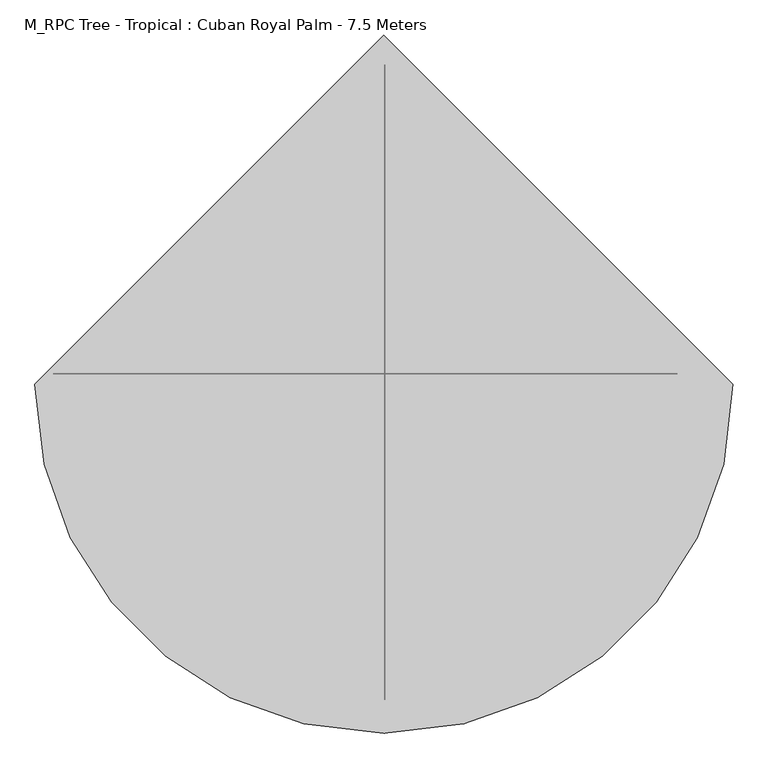
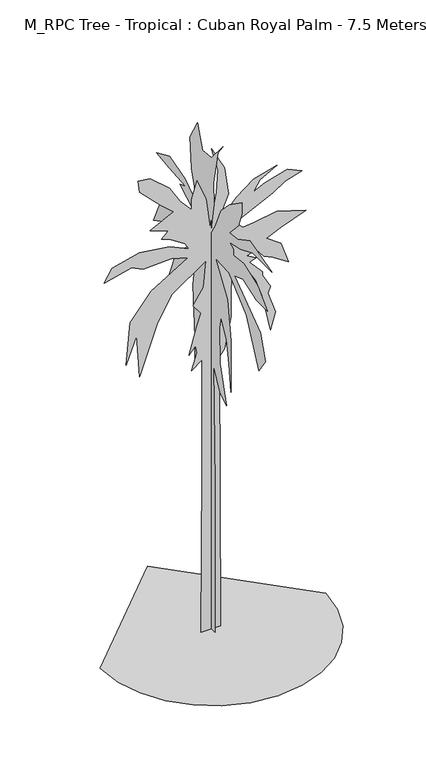
"""IFC4 building model written with IfcOpenShell, lengths in millimetres: geographic element geometry, M_RPC Tree - Tropical : Cuban Royal Palm - 7.5 Meters."""

from ifc_helpers import new_model, si_unit, origin, place, context, project, spatial, triangles, source, transform, mapped, element, save


def m_rpc_tree_tropical_cuban_royal_palm_7_5_meters_25244156(model_context):
    return source(origin(), model_context, "Body", "Tessellation", [
        triangles([(-53.329521, -0.0172155, 0.0009289), (-147.4824223, -0.0172239, 0.000933), (-128.6516948, -0.0176557, 2455.3623367), (-128.6514405, -0.0179554, 4131.270797), (-279.295543, -0.0179286, 4018.2957161), (-203.9743774, -0.0179756, 4263.0955994), (-222.8043509, -0.017995, 4376.0703896), (-316.9579788, -0.0179707, 4263.0955994), (-203.974123, -0.0180497, 4677.3703125), (-147.482177, -0.0180825, 4846.8451424), (-260.4655695, -0.0181045, 4997.4949585), (-109.8212127, -0.0181515, 5223.4445389), (-72.1600031, -0.0182238, 5618.8942383), (-561.755246, -0.0181418, 5279.9445786), (-768.8900591, -0.0180688, 4922.1699051), (-1032.519825, -0.017926, 4187.770546), (-1070.1797356, -0.0180388, 4828.0201286), (-1220.8246101, -0.0179615, 4432.5704292), (-1164.3346716, -0.0180751, 5053.9699997), (-863.0449951, -0.0181556, 5430.5946854), (-335.7879704, -0.0182359, 5750.7193314), (-580.5852376, -0.0182387, 5826.0438034), (-976.027343, -0.018218, 5807.1937912), (-1145.5021729, -0.0182241, 5882.5188446), (-1540.9443146, -0.0181899, 5788.3687775), (-1427.9618214, -0.0182286, 5976.6689117), (-1032.519825, -0.0182627, 6070.8439774), (-599.4151929, -0.0182715, 6014.3439377), (-316.9579788, -0.0182603, 5882.5188446), (-373.4504245, -0.0182746, 5976.6689117), (-599.4151929, -0.0182917, 6127.3184372), (-712.4001205, -0.0182935, 6164.9934631), (-618.247728, -0.0183145, 6259.1435303), (-881.8749504, -0.0183198, 6353.2935974), (-542.9252543, -0.0183649, 6522.7681366), (-731.2300758, -0.018387, 6692.2432571), (-1032.519825, -0.0184277, 6993.5428894), (-1051.3497803, -0.0184571, 7163.0174286), (-881.8749504, -0.0184612, 7144.1674164), (-599.4151929, -0.0184298, 6899.3678238), (-448.7703547, -0.0183926, 6654.5682312), (-279.295543, -0.0183663, 6466.2680969), (-279.295543, -0.0183932, 6616.9182037), (-203.974123, -0.0184437, 6880.5428101), (-72.1600031, -0.0183922, 6560.4181641), (-15.6683375, -0.0183139, 6108.4934235), (78.4845898, -0.0184055, 6598.09319), (97.3153263, -0.018467, 6937.0428497), (3.162393, -0.0185268, 7294.8175232), (191.4682185, -0.0184711, 6937.0428497), (247.9601555, -0.0183995, 6522.7681366), (78.4845898, -0.018318, 6108.4934235), (360.9438114, -0.0183876, 6428.6186508), (605.7410422, -0.0184319, 6616.9182037), (944.6906656, -0.0184636, 6711.0682709), (699.8933985, -0.0184293, 6579.2681763), (605.7410422, -0.0183983, 6428.6186508), (775.2158358, -0.0184191, 6503.9431229), (1095.3355402, -0.01845, 6598.09319), (1302.4728241, -0.0184422, 6503.9431229), (1057.6755569, -0.018418, 6428.6186508), (888.2007271, -0.0183904, 6315.6185715), (342.1138198, -0.0183194, 6051.9939651), (455.096204, -0.0183041, 5939.0188843), (605.7410422, -0.0183141, 5957.843898), (944.6906656, -0.018339, 6014.3439377), (1358.9653061, -0.0183335, 5882.5188446), (1001.1831476, -0.0182943, 5750.7193314), (794.0457911, -0.0182684, 5656.5692642), (1001.1831476, -0.0182506, 5505.9191574), (1114.1654955, -0.0181983, 5185.7945114), (888.2007271, -0.0182153, 5336.4446182), (756.3858805, -0.0182197, 5392.9196594), (605.7410422, -0.0182467, 5581.2442108), (605.7410422, -0.0182366, 5524.7441711), (511.5886497, -0.0182258, 5487.0941437), (643.4009892, -0.0182181, 5411.7696716), (549.2486329, -0.0182072, 5374.0946457), (737.5558525, -0.0181784, 5166.9694977), (737.5558525, -0.0181683, 5110.469458), (850.538273, -0.0181362, 4903.3448914), (812.8782898, -0.0181177, 4809.1951149), (925.8607103, -0.0180654, 4489.0704689), (850.538273, -0.0180184, 4244.2705856), (737.5558525, -0.0181111, 4790.3451027), (643.4009892, -0.0181575, 5072.8200119), (473.9261956, -0.0182006, 5355.269632), (304.4513476, -0.0182066, 5430.5946854), (285.6213741, -0.0181385, 5053.9699997), (285.6213741, -0.0180644, 4639.720285), (191.4682185, -0.0179795, 4187.770546), (116.1457994, -0.0179593, 4093.6207695), (134.9762815, -0.0172295, 0.0009206), (0.1930215, 88.1876585, 0.0004872), (0.1930211, 161.0565755, 0.0005002), (0.1930215, 161.0565755, 1798.0106003), (0.1930235, 142.8396006, 4220.8955589), (0.1930219, 215.7080362, 4111.5958351), (0.1930238, 397.879602, 3729.0212219), (0.1930224, 397.879602, 4184.4707474), (0.1930226, 452.5320436, 4949.5949753), (0.1930212, 379.6621093, 5477.8941238), (0.1930204, 525.3994709, 5313.919249), (0.1930227, 780.4416796, 4785.6201004), (0.1930231, 1071.9164028, 4421.295536), (0.193021, 1290.521228, 4075.1707329), (0.1930224, 1035.4814175, 4767.4200485), (0.193022, 871.5265995, 5168.1944229), (0.193022, 507.1819782, 5532.5442764), (0.1930205, 671.1367962, 5496.0941757), (0.1930222, 889.7440922, 5477.8941238), (0.1930219, 1090.1338955, 5514.3192261), (0.1930219, 1436.2610241, 5332.1442993), (0.1930208, 1254.0887135, 5732.9192551), (0.1930227, 1053.6989101, 5732.9192551), (0.1930224, 980.8290121, 6042.618956), (0.1930219, 634.7043543, 5969.7437531), (0.1930206, 416.0970583, 6079.0434769), (0.1930204, 780.4416796, 6279.443454), (0.1930236, 634.7043543, 6334.0936066), (0.1930213, 1035.4814175, 6370.5187088), (0.193023, 1363.3910534, 6406.9682281), (0.1930222, 1035.4814175, 6552.6930542), (0.193022, 652.921847, 6443.3933304), (0.1930203, 343.2271603, 6224.7933014), (0.1930224, 488.9669927, 6698.4428787), (0.1930226, 525.3994709, 7153.8674057), (0.1930219, 343.2271603, 7481.7671585), (0.1930226, 306.794682, 7372.4674347), (0.1930225, 215.7080362, 7135.6423553), (0.1930209, -2.898197, 7153.8674057), (0.1930232, -294.3722026, 7499.9922089), (0.1930217, -166.8530786, 7336.0423325), (0.1930211, -57.5496894, 6807.7431839), (0.193021, -75.7669232, 6498.043483), (0.1930205, 15.3189596, 5987.9688034), (0.1930237, -112.2016361, 6188.343782), (0.1930209, -239.7217594, 6498.043483), (0.1930209, -458.3270388, 6716.6429306), (0.1930205, -768.019182, 6935.2679581), (0.1930205, -768.019182, 6771.2930832), (0.1930212, -676.9343348, 6534.4930023), (0.1930204, -458.3270388, 6297.6685043), (0.1930231, -658.7168421, 6315.8685562), (0.1930203, -968.4089853, 6479.8184326), (0.193022, -1514.9259899, 6334.0936066), (0.1930214, -1041.278956, 6334.0936066), (0.1930223, -731.5867401, 6206.5688324), (0.1930212, -458.3270388, 6151.9186798), (0.1930219, -549.4144295, 6097.2685272), (0.1930215, -549.4144295, 6006.1938538), (0.1930218, -822.67166, 6042.618956), (0.1930224, -1168.7987886, 5915.0941818), (0.193023, -1405.6210339, 5678.2691025), (0.1930208, -1132.3638033, 5678.2691025), (0.1930229, -786.2366747, 5787.5688263), (0.1930214, -585.8493785, 5714.7192032), (0.1930226, -1223.451194, 5241.0696259), (0.1930224, -1350.971172, 4876.720063), (0.1930228, -1187.0162813, 4639.8952744), (0.1930223, -877.3240654, 5295.7197784), (0.1930226, -440.1120532, 5678.2691025), (0.1930235, -112.2016361, 5696.4941528), (0.1930228, -403.6770679, 5241.0696259), (0.1930226, -494.7619878, 4676.3200859), (0.1930204, -494.7619878, 3892.9960968), (0.1930225, -440.1120532, 4293.7704712), (0.1930215, -385.4596115, 4621.670224), (0.1930212, -239.7217594, 4876.720063), (0.1930219, -203.2872827, 4694.5451363), (0.1930229, -221.504521, 4166.245697), (0.1930203, -385.4596115, 3619.7212074), (0.1930216, -221.504521, 3729.0212219), (0.1930209, -57.5496894, 4038.7209229), (0.1930231, -93.9844068, 2253.4402142), (0.1930206, -93.9844068, 0.0004546), (-1626.8666862, -48.3554514, 0.0005339), (-1583.9691593, -420.1520797, 0.0004655), (-1461.7992908, -761.5891966, 0.0003991), (-1270.1394779, -1062.8838873, 0.0003369), (-1018.7723356, -1314.2511749, 0.0002809), (-717.4776449, -1505.9109879, 0.0002335), (-376.0429261, -1628.0808563, 0.0001967), (-4.2444493, -1670.9782379, 0.0001728), (367.5538004, -1628.0808563, 0.0001642), (708.9884102, -1505.9109879, 0.0001711), (1010.2831009, -1314.2511749, 0.0001922), (1261.6503159, -1062.8838873, 0.0002262), (1453.3101288, -761.5891966, 0.0002717), (1575.4799973, -420.1520797, 0.0003274), (1618.3775242, -48.3554514, 0.000392), (-4.2447494, 1574.2658272, 0.000298)], [[54, 55, 56], [48, 49, 50], [17, 18, 19], [15, 16, 17], [7, 8, 9], [83, 84, 85], [82, 83, 85], [4, 5, 6], [70, 71, 72], [66, 67, 68], [43, 44, 45], [59, 60, 61], [24, 25, 26], [24, 26, 27], [33, 34, 35], [76, 77, 78], [58, 59, 61], [58, 61, 62], [31, 32, 33], [42, 43, 45], [42, 45, 46], [37, 38, 39], [54, 56, 57], [53, 54, 57], [23, 24, 27], [23, 27, 28], [22, 23, 28], [22, 28, 29], [21, 22, 29], [58, 62, 63], [57, 58, 63], [53, 57, 63], [52, 53, 63], [36, 37, 39], [36, 39, 40], [36, 40, 41], [35, 36, 41], [35, 41, 42], [69, 70, 72], [69, 72, 73], [69, 73, 74], [65, 66, 68], [65, 68, 69], [65, 69, 74], [64, 65, 74], [47, 48, 50], [47, 50, 51], [46, 47, 51], [46, 51, 52], [33, 35, 42], [82, 85, 86], [81, 82, 86], [80, 81, 86], [33, 42, 46], [31, 33, 46], [30, 31, 46], [29, 30, 46], [15, 17, 19], [15, 19, 20], [14, 15, 20], [14, 20, 21], [13, 14, 21], [92, 93, 1], [92, 1, 2], [92, 2, 3], [92, 3, 4], [80, 86, 87], [79, 80, 87], [78, 79, 87], [76, 78, 87], [76, 87, 88], [13, 21, 29], [13, 29, 46], [13, 46, 52], [13, 52, 63], [13, 63, 64], [13, 64, 74], [13, 74, 75], [13, 75, 76], [13, 76, 88], [12, 13, 88], [12, 88, 89], [11, 12, 89], [10, 11, 89], [10, 89, 90], [9, 10, 90], [9, 90, 91], [7, 9, 91], [6, 7, 91], [4, 6, 91], [92, 4, 91], [131, 132, 133], [165, 166, 167], [105, 106, 107], [145, 146, 147], [165, 167, 168], [98, 99, 100], [131, 133, 134], [121, 122, 123], [104, 105, 107], [112, 113, 114], [171, 172, 173], [171, 173, 174], [153, 154, 155], [127, 128, 129], [118, 119, 120], [112, 114, 115], [139, 140, 141], [139, 141, 142], [159, 160, 161], [158, 159, 161], [157, 158, 161], [157, 161, 162], [104, 107, 108], [103, 104, 108], [103, 108, 109], [102, 103, 109], [127, 129, 130], [121, 123, 124], [120, 121, 124], [120, 124, 125], [118, 120, 125], [153, 155, 156], [152, 153, 156], [151, 152, 156], [151, 156, 157], [126, 127, 130], [145, 147, 148], [144, 145, 148], [144, 148, 149], [143, 144, 149], [139, 142, 143], [138, 139, 143], [137, 138, 143], [137, 143, 149], [175, 176, 94], [175, 94, 95], [175, 95, 96], [175, 96, 97], [174, 175, 97], [111, 112, 115], [115, 116, 117], [111, 115, 117], [110, 111, 117], [109, 110, 117], [165, 168, 169], [164, 165, 169], [130, 131, 134], [126, 130, 134], [126, 134, 135], [125, 126, 135], [125, 135, 136], [118, 125, 136], [151, 157, 162], [171, 174, 97], [170, 171, 97], [109, 117, 118], [109, 118, 136], [102, 109, 136], [97, 98, 100], [97, 100, 101], [170, 97, 101], [169, 170, 101], [169, 101, 102], [164, 169, 102], [163, 164, 102], [163, 102, 136], [151, 162, 163], [151, 163, 136], [151, 136, 137], [151, 137, 149], [151, 149, 150], [191, 192, 177], [190, 191, 177], [190, 177, 178], [189, 190, 178], [189, 178, 179], [189, 179, 180], [188, 189, 180], [187, 188, 180], [187, 180, 181], [187, 181, 182], [187, 182, 183], [187, 183, 184], [187, 184, 185], [187, 185, 186]], closed=False),
    ])


if __name__ == "__main__":
    model = new_model("IFC4")
    model_context = context("Model", 3, world=origin())
    ifc_project = project(units=[si_unit("LENGTHUNIT", "METRE", prefix="MILLI")], contexts=[model_context])
    site = spatial("IfcSite", under=ifc_project)
    building = spatial("IfcBuilding", under=site)
    placement = place(None, origin())
    m_rpc_tree_tropical_cuban_royal_palm_7_5_meters_shape = m_rpc_tree_tropical_cuban_royal_palm_7_5_meters_25244156(model_context)
    element("IfcGeographicElement", 1, ObjectType="M_RPC Tree - Tropical : Cuban Royal Palm - 7.5 Meters", at=placement, inside=building, context=model_context, shape_type="MappedRepresentation", body=[
        mapped(m_rpc_tree_tropical_cuban_royal_palm_7_5_meters_shape, transform((0.0, 0.0, 0.0), x_axis=(1.0, 0.0, 0.0), y_axis=(0.0, 1.0, 0.0), z_axis=(0.0, 0.0, 1.0))),
    ])
    save(model, "model.ifc")
